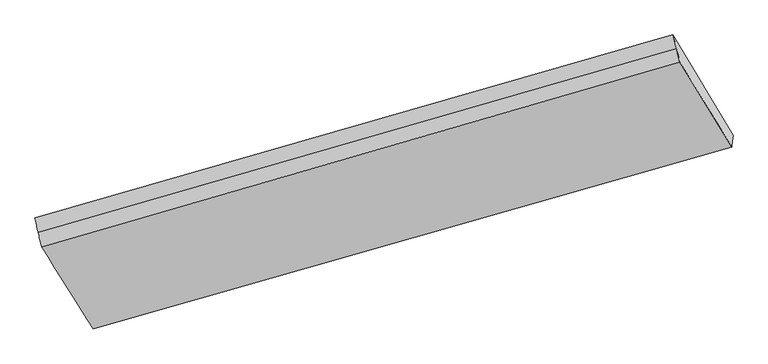
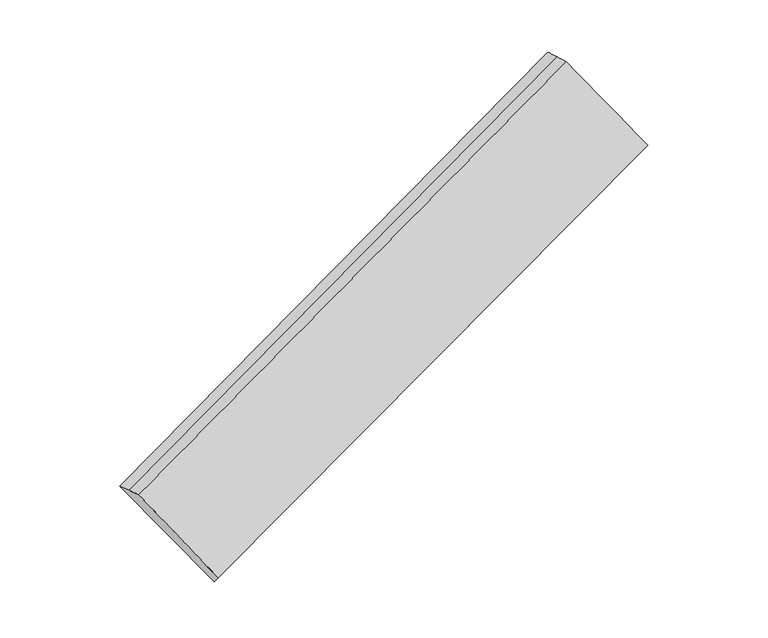
"""IFC4 building model written with IfcOpenShell, lengths in millimetres: proxy geometry."""

from ifc_helpers import new_model, si_unit, frame, origin, place, context, project, spatial, source, transform, mapped, element, save
from ifc_brep_helpers import plane_surface, spline_surface, advanced_brep


def generic_models_bb96a875(model_context):
    return source(origin(), model_context, "Body", "AdvancedBrep", [
        advanced_brep(
        [(-6270.6795072, -2209.4025161, 1093.5645252), (-5750.7452994, -3038.1018856, 310.85318), (691.386545, -1201.9443595, 2679.0194012), (167.5660395, -345.1179434, 3450.643004), (-6304.3330798, -2063.3128023, 1072.8293186), (131.7847441, -207.1227498, 3441.9810763), (-6337.9866524, -1917.2230884, 1052.094112), (96.0034487, -69.1275561, 3433.3191486), (-5737.5820061, -2920.302463, 183.8609468), (704.3931324, -1085.5473111, 2553.5389803), (-5744.1636528, -2979.2021743, 247.3570634), (697.8898387, -1143.7458353, 2616.2791908)],
        [
            (0, 1),
            (1, 2),
            (2, 3),
            (3, 0),
            (4, 0),
            (3, 5),
            (5, 4),
            (6, 4),
            (5, 7),
            (7, 6),
            (8, 6),
            (7, 9),
            (9, 8),
            (10, 8),
            (9, 11),
            (11, 10),
            (1, 10),
            (11, 2),
        ],
        [
            spline_surface(1, 1, [[(-6270.6795072, -2209.4025161, 1093.5645252), (167.5660395, -345.1179434, 3450.643004)], [(-5750.7452994, -3038.1018856, 310.85318), (691.386545, -1201.9443595, 2679.0194012)]], [2, 2], [2, 2], [0.0, 1.0], [0.0, 1.0]),
            spline_surface(1, 1, [[(-6304.3330798, -2063.3128023, 1072.8293186), (131.7847441, -207.1227498, 3441.9810763)], [(-6270.6795072, -2209.4025161, 1093.5645252), (167.5660395, -345.1179434, 3450.643004)]], [2, 2], [2, 2], [0.0, 1.0], [0.0, 1.0]),
            spline_surface(1, 1, [[(-6337.9866524, -1917.2230884, 1052.094112), (96.0034487, -69.1275561, 3433.3191486)], [(-6304.3330798, -2063.3128023, 1072.8293186), (131.7847441, -207.1227498, 3441.9810763)]], [2, 2], [2, 2], [0.0, 1.0], [0.0, 1.0]),
            plane_surface(frame((-6037.7843293, -2418.7627757, 617.9775294), z_axis=(0.0757750970375978, 0.6781177378111297, -0.7310365711336598), x_axis=(-0.41231265750715373, 0.6888393106475462, 0.5962370976096689))),
            plane_surface(frame((-5740.8728295, -2949.7523187, 215.6090051), z_axis=(0.41494750515797135, -0.6880922730302579, -0.5952710237859965), x_axis=(0.07577509703759917, 0.6781177378111268, -0.7310365711336625))),
            plane_surface(frame((-5747.4544761, -3008.6520299, 279.1051217), z_axis=(0.4149475051579714, -0.6880922730302576, -0.595271023785997), x_axis=(0.0757750970375976, 0.6781177378111269, -0.7310365711336626))),
            plane_surface(frame((414.8372914, -675.4342925, 3029.1301335), z_axis=(0.9078856795479969, 0.2562357074502332, 0.3317933921872923), x_axis=(-0.41231265750715373, 0.6888393106475462, 0.5962370976096689))),
            plane_surface(frame((-6024.2483663, -2521.2574883, 660.093191), z_axis=(-0.9078856795479959, -0.2562357074502396, -0.3317933921872906), x_axis=(-0.4149908323866206, 0.6614349200429386, 0.6247291057593293))),
        ],
        [
            (0, [[1, 2, 3, 4]]),
            (1, [[5, -4, 6, 7]]),
            (2, [[8, -7, 9, 10]]),
            (3, [[11, -10, 12, 13]]),
            (4, [[14, -13, 15, 16]]),
            (5, [[17, -16, 18, -2]]),
            (6, [[-12, -9, -6, -3, -18, -15]]),
            (7, [[-1, -5, -8, -11, -14, -17]]),
        ],
    ),
    ])


if __name__ == "__main__":
    model = new_model("IFC4")
    model_context = context("Model", 3, world=origin())
    ifc_project = project(units=[si_unit("LENGTHUNIT", "METRE", prefix="MILLI")], contexts=[model_context])
    site = spatial("IfcSite", under=ifc_project)
    building = spatial("IfcBuilding", under=site)
    placement = place(None, origin())
    generic_models_shape = generic_models_bb96a875(model_context)
    element("IfcBuildingElementProxy", 1, Name="Generic Models", at=placement, inside=building, context=model_context, shape_type="MappedRepresentation", body=[
        mapped(generic_models_shape, transform((0.0, 0.0, 0.0), x_axis=(1.0, 0.0, 0.0), y_axis=(0.0, 1.0, 0.0), z_axis=(0.0, 0.0, 1.0))),
    ])
    save(model, "model.ifc")
